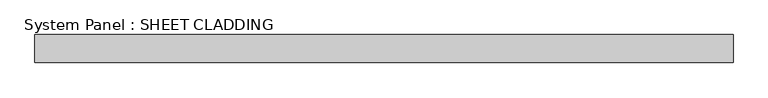
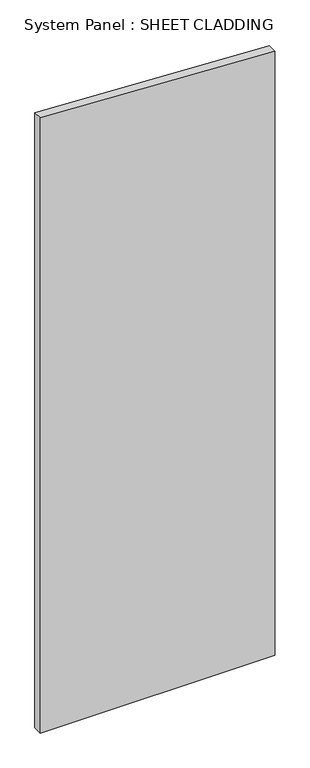
"""IFC4 building model written with IfcOpenShell, lengths in millimetres: plate geometry, System Panel : SHEET CLADDING."""

from ifc_helpers import new_model, si_unit, frame, origin, place, context, project, spatial, polyline, outline, extrude, source, transform, mapped, element, save


def system_panel_sheet_cladding_8e20b22c(model_context):
    return source(origin(), model_context, "Body", "SweptSolid", [
        extrude(outline(polyline([(0.0, -750.0), (0.0, 750.0), (4085.1, 750.0), (4160.1, -750.0), (0.0, -750.0)])), frame((0.0, -49.5, 0.0), z_axis=(0.0, 1.0, 0.0), x_axis=(0.0, 0.0, 1.0)), (0.0, 0.0, 1.0), 60.0),
    ])


if __name__ == "__main__":
    model = new_model("IFC4")
    model_context = context("Model", 3, world=origin())
    ifc_project = project(units=[si_unit("LENGTHUNIT", "METRE", prefix="MILLI")], contexts=[model_context])
    site = spatial("IfcSite", under=ifc_project)
    building = spatial("IfcBuilding", under=site)
    placement = place(None, origin())
    system_panel_sheet_cladding_shape = system_panel_sheet_cladding_8e20b22c(model_context)
    element("IfcPlate", 1, ObjectType="System Panel : SHEET CLADDING", at=placement, inside=building, context=model_context, shape_type="MappedRepresentation", body=[
        mapped(system_panel_sheet_cladding_shape, transform((0.0, 0.0, 0.0), x_axis=(1.0, 0.0, 0.0), y_axis=(0.0, 1.0, 0.0), z_axis=(0.0, 0.0, 1.0))),
    ])
    save(model, "model.ifc")
